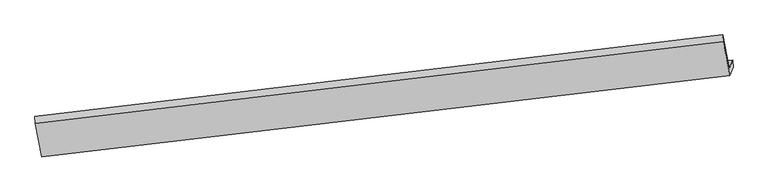
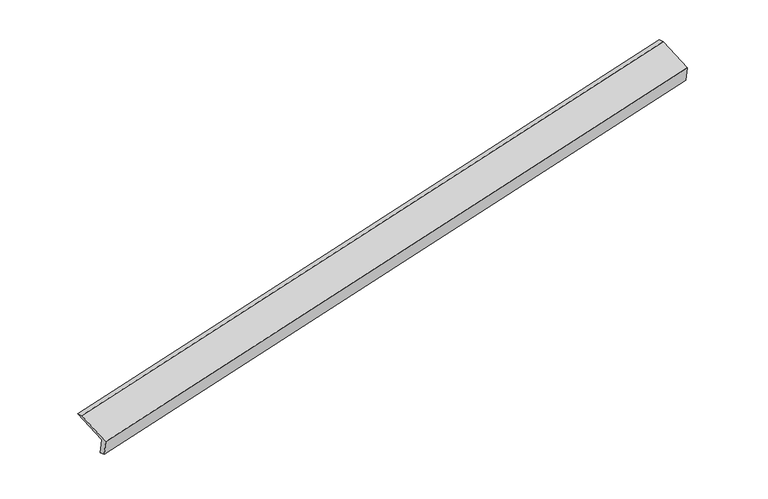
"""IFC4 building model written with IfcOpenShell, lengths in millimetres: proxy geometry."""

from ifc_helpers import new_model, si_unit, origin, place, context, project, spatial, faceted_brep, source, transform, mapped, element, save


def generic_models_e588367b(model_context):
    return source(origin(), model_context, "Body", "Brep", [
        faceted_brep([(-9711.195979, -2374.2225953, 71.1676341), (-9782.8182264, -2546.1315385, 502.4440246), (4094.3219945, -897.3497821, 3431.5616242), (4165.9442419, -725.4408389, 3000.2852336), (-9704.9112434, -2515.9993579, 119.5177745), (4172.2289775, -867.2176015, 3048.635374), (-9774.6443351, -2683.3739174, 539.4185344), (4102.4958858, -1034.592161, 3468.536134), (-9907.5032586, -2001.1092103, 789.3087498), (3969.6369623, -352.3274538, 3718.4263493), (-9916.4632013, -1859.830255, 753.8126998), (3960.6770196, -211.0484986, 3682.9302993)], [[[0, 1, 2, 3]], [[4, 0, 3, 5]], [[6, 4, 5, 7]], [[8, 6, 7, 9]], [[10, 8, 9, 11]], [[1, 10, 11, 2]], [[9, 7, 5, 3, 2, 11]], [[1, 0, 4, 6, 8, 10]]]),
    ])


if __name__ == "__main__":
    model = new_model("IFC4")
    model_context = context("Model", 3, world=origin())
    ifc_project = project(units=[si_unit("LENGTHUNIT", "METRE", prefix="MILLI")], contexts=[model_context])
    site = spatial("IfcSite", under=ifc_project)
    building = spatial("IfcBuilding", under=site)
    placement = place(None, origin())
    generic_models_shape = generic_models_e588367b(model_context)
    element("IfcBuildingElementProxy", 1, Name="Generic Models", at=placement, inside=building, context=model_context, shape_type="MappedRepresentation", body=[
        mapped(generic_models_shape, transform((0.0, 0.0, 0.0), x_axis=(1.0, 0.0, 0.0), y_axis=(0.0, 1.0, 0.0), z_axis=(0.0, 0.0, 1.0))),
    ])
    save(model, "model.ifc")
